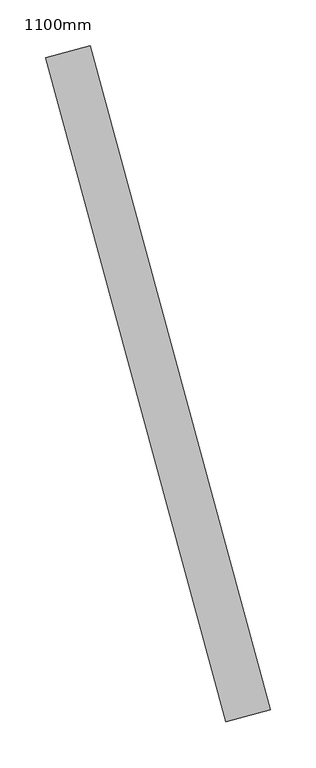
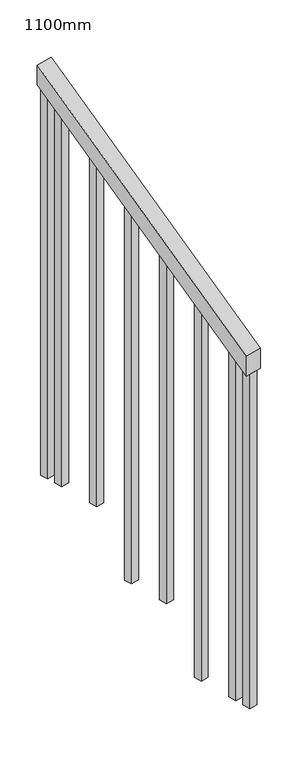
"""IFC4 building model written with IfcOpenShell, lengths in millimetres: railing geometry, 1100mm."""

from ifc_helpers import new_model, si_unit, frame, origin, place, context, project, spatial, polyline, outline, extrude, source, transform, mapped, element, save


def railing_1100mm_245cd3e8(model_context):
    return source(origin(), model_context, "Body", "SweptSolid", [
        extrude(outline(polyline([(-35.5555555, -50.0), (0.0, 0.0), (920.2958462, 0.0), (884.7402906, -50.0), (-35.5555555, -50.0)])), frame((135034.9238907, 66515.7831294, 1277.7777778), z_axis=(0.9649894123601793, 0.26228883703420486, 0.0), x_axis=(-0.21375368431597294, 0.7864232597554067, 0.5795237863599971)), (0.0, 0.0, 1.0), 50.0),
        extrude(outline(polyline([(108.8888889, 0.0), (91.1111112, 25.0), (1271.980277, 25.0), (1271.980277, 0.0), (108.8888889, 0.0)])), frame((134869.9412933, 67170.4295932, 1805.3136103), z_axis=(0.9649894123601821, 0.2622888370341949, 0.0), x_axis=(0.0, 0.0, -1.0)), (0.0, 0.0, 1.0), 25.0),
        extrude(outline(polyline([(108.8888889, 0.0), (91.1111111, 25.0000001), (1183.0913881, 25.0000001), (1183.0913881, 0.0), (108.8888889, 0.0)])), frame((134902.727398, 67049.8059166, 1716.4247214), z_axis=(0.9649894123601821, 0.2622888370341949, 0.0), x_axis=(0.0, 0.0, -1.0)), (0.0, 0.0, 1.0), 25.0),
        extrude(outline(polyline([(108.8888889, 0.0), (91.1111111, 25.0), (1271.9802769, 25.0), (1271.9802769, 0.0), (108.8888889, 0.0)])), frame((134935.5135026, 66929.1822401, 1627.5358325), z_axis=(0.9649894123601821, 0.2622888370341949, 0.0), x_axis=(0.0, 0.0, -1.0)), (0.0, 0.0, 1.0), 25.0),
        extrude(outline(polyline([(108.8888889, 0.0), (91.1111111, 25.0), (1183.091388, 25.0), (1183.091388, 0.0), (108.8888889, 0.0)])), frame((134968.2996072, 66808.5585636, 1538.6469436), z_axis=(0.9649894123601821, 0.2622888370341949, 0.0), x_axis=(0.0, 0.0, -1.0)), (0.0, 0.0, 1.0), 25.0),
        extrude(outline(polyline([(108.8888889, 0.0), (91.1111111, 25.0), (1271.9802769, 25.0), (1271.9802769, 0.0), (108.8888889, 0.0)])), frame((135001.0857118, 66687.934887, 1449.7580547), z_axis=(0.9649894123601821, 0.2622888370341949, 0.0), x_axis=(0.0, 0.0, -1.0)), (0.0, 0.0, 1.0), 25.0),
        extrude(outline(polyline([(108.8888889, 0.0), (91.1111111, 25.0), (1183.091388, 25.0), (1183.091388, 0.0), (108.8888889, 0.0)])), frame((135033.8718165, 66567.3112105, 1360.8691658), z_axis=(0.9649894123601821, 0.2622888370341949, 0.0), x_axis=(0.0, 0.0, -1.0)), (0.0, 0.0, 1.0), 25.0),
        extrude(outline(polyline([(108.8888889, 0.0), (91.1111111, 25.0), (1307.5358325, 25.0), (1307.5358325, 0.0), (108.8888889, 0.0)])), frame((134856.8268515, 67218.6790638, 1840.8691658), z_axis=(0.9649894123601821, 0.2622888370341949, 0.0), x_axis=(0.0, 0.0, -1.0)), (0.0, 0.0, 1.0), 25.0),
        extrude(outline(polyline([(108.8888889, 0.0), (91.1111112, 25.0000001), (1147.5358325, 25.0000001), (1147.5358325, 0.0), (108.8888889, 0.0)])), frame((135046.9862583, 66519.0617398, 1325.3136103), z_axis=(0.9649894123601821, 0.2622888370341949, 0.0), x_axis=(0.0, 0.0, -1.0)), (0.0, 0.0, 1.0), 25.0),
    ])


if __name__ == "__main__":
    model = new_model("IFC4")
    model_context = context("Model", 3, world=origin())
    ifc_project = project(units=[si_unit("LENGTHUNIT", "METRE", prefix="MILLI")], contexts=[model_context])
    site = spatial("IfcSite", under=ifc_project)
    building = spatial("IfcBuilding", under=site)
    placement = place(None, origin())
    railing_1100mm_shape = railing_1100mm_245cd3e8(model_context)
    element("IfcRailing", 1, ObjectType="1100mm", at=placement, inside=building, context=model_context, shape_type="MappedRepresentation", body=[
        mapped(railing_1100mm_shape, transform((0.0, 0.0, 0.0), x_axis=(1.0, 0.0, 0.0), y_axis=(0.0, 1.0, 0.0), z_axis=(0.0, 0.0, 1.0))),
    ])
    save(model, "model.ifc")
